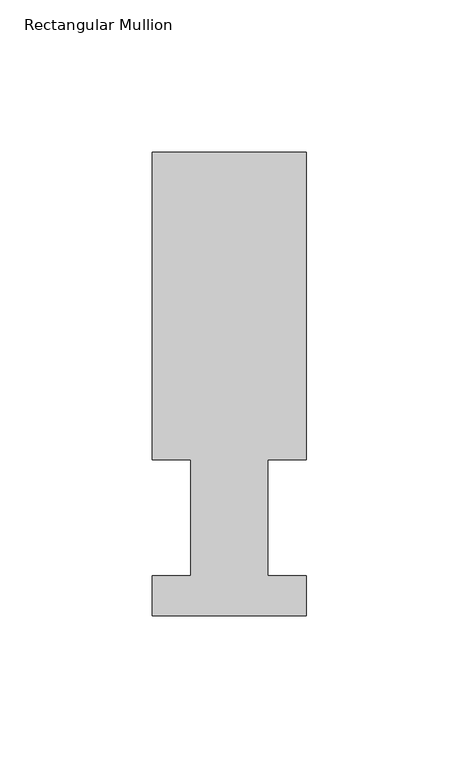
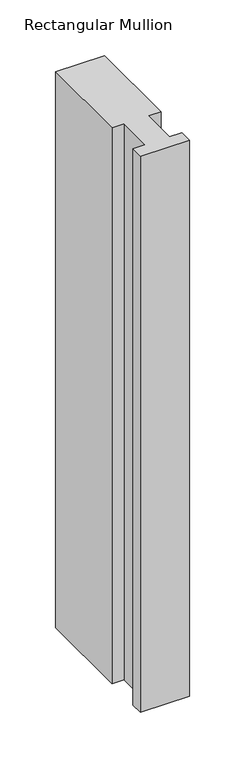
"""IFC4 building model written with IfcOpenShell, lengths in millimetres: member geometry, Rectangular Mullion."""

from ifc_helpers import new_model, si_unit, frame, origin, place, context, project, spatial, polyline, outline, extrude, source, transform, mapped, element, save


def rectangular_mullion_62bef7a0(model_context):
    return source(origin(), model_context, "Body", "SweptSolid", [
        extrude(outline(polyline([(0.0, 152.498812), (50.8, 152.498812), (50.8, 51.2960937), (38.1, 51.2960937), (38.1, 13.1960938), (50.8, 13.1960938), (50.8, 0.0134938), (0.0, 0.0134938), (0.0, 13.1960938), (12.7, 13.1960938), (12.7, 51.2960937), (0.0, 51.2960937), (0.0, 152.498812)])), frame((0.0, 0.0, -609.6), z_axis=(0.0, 0.0, 1.0), x_axis=(1.0, 0.0, 0.0)), (0.0, 0.0, 1.0), 609.6),
    ])


if __name__ == "__main__":
    model = new_model("IFC4")
    model_context = context("Model", 3, world=origin())
    ifc_project = project(units=[si_unit("LENGTHUNIT", "METRE", prefix="MILLI")], contexts=[model_context])
    site = spatial("IfcSite", under=ifc_project)
    building = spatial("IfcBuilding", under=site)
    placement = place(None, origin())
    rectangular_mullion_shape = rectangular_mullion_62bef7a0(model_context)
    element("IfcMember", 1, ObjectType="Rectangular Mullion", at=placement, inside=building, context=model_context, shape_type="MappedRepresentation", body=[
        mapped(rectangular_mullion_shape, transform((0.0, 0.0, 0.0), x_axis=(1.0, 0.0, 0.0), y_axis=(0.0, 1.0, 0.0), z_axis=(0.0, 0.0, 1.0))),
    ])
    save(model, "model.ifc")
